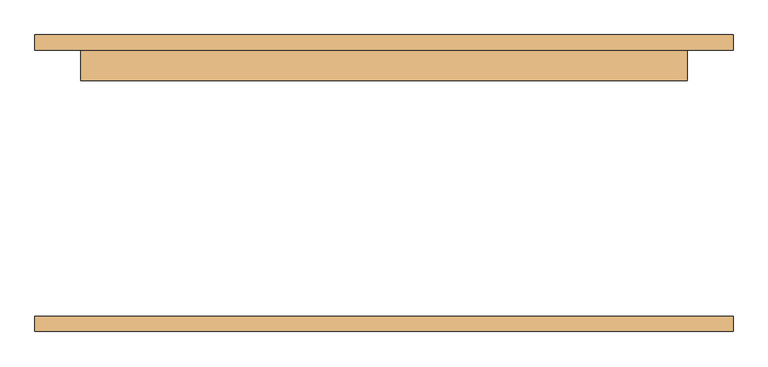
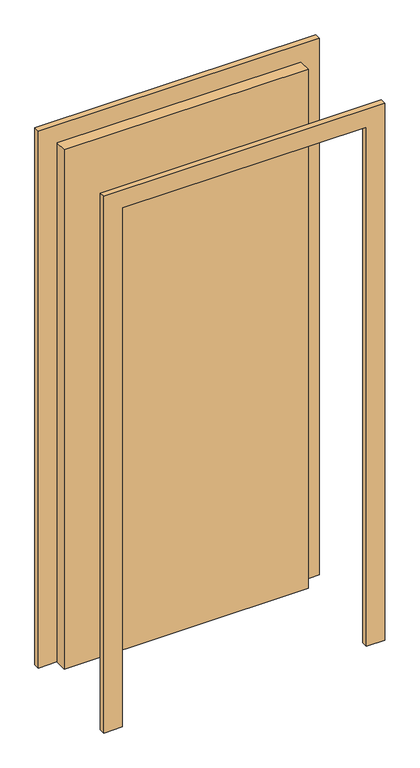
"""IFC4 building model written with IfcOpenShell, lengths in millimetres: door geometry."""

from ifc_helpers import new_model, si_unit, frame, origin, origin_with_axes, place, context, project, spatial, polyline, outline, extrude, source, transform, mapped, element, save


def door_7db2df50(model_context):
    return source(origin(), model_context, "Body", "SweptSolid", [
        extrude(outline(polyline([(2326.0, -576.0), (0.0, -576.0), (0.0, -500.0), (2250.0, -500.0), (2250.0, 500.0), (0.0, 500.0), (0.0, 576.0), (2326.0, 576.0), (2326.0, -576.0)])), frame((0.0, 220.0, 0.0), z_axis=(0.0, 1.0, 0.0), x_axis=(0.0, 0.0, 1.0)), (0.0, 0.0, 1.0), 25.0),
        extrude(outline(polyline([(2326.0, 576.0), (2326.0, -576.0), (0.0, -576.0), (0.0, -500.0), (2250.0, -500.0), (2250.0, 500.0), (0.0, 500.0), (0.0, 576.0), (2326.0, 576.0)])), frame((0.0, -245.0, 0.0), z_axis=(0.0, 1.0, 0.0), x_axis=(0.0, 0.0, 1.0)), (0.0, 0.0, 1.0), 25.0),
        extrude(outline(polyline([(500.0, 169.0), (-500.0, 169.0), (-500.0, 220.0), (500.0, 220.0), (500.0, 169.0)])), origin_with_axes(), (0.0, 0.0, 1.0), 2250.0),
    ])


if __name__ == "__main__":
    model = new_model("IFC4")
    model_context = context("Model", 3, world=origin())
    ifc_project = project(units=[si_unit("LENGTHUNIT", "METRE", prefix="MILLI")], contexts=[model_context])
    site = spatial("IfcSite", under=ifc_project)
    building = spatial("IfcBuilding", under=site)
    placement = place(None, origin())
    door_shape = door_7db2df50(model_context)
    element("IfcDoor", 1, at=placement, inside=building, context=model_context, shape_type="MappedRepresentation", body=[
        mapped(door_shape, transform((0.0, 0.0, 0.0), x_axis=(1.0, 0.0, 0.0), y_axis=(0.0, 1.0, 0.0), z_axis=(0.0, 0.0, 1.0))),
    ])
    save(model, "model.ifc")
